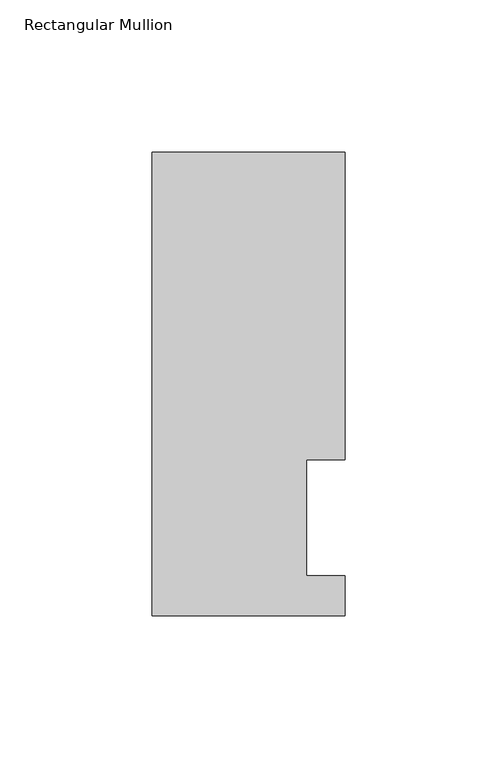
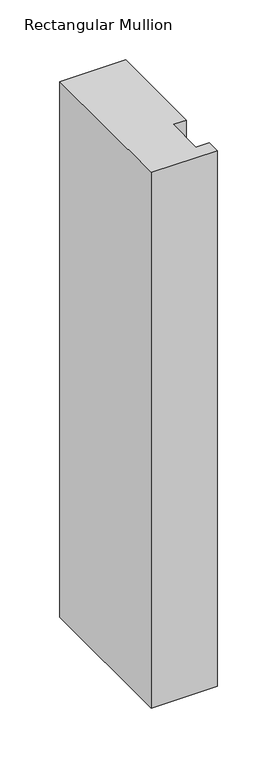
"""IFC4 building model written with IfcOpenShell, lengths in millimetres: member geometry, Rectangular Mullion."""

from ifc_helpers import new_model, si_unit, frame, origin, place, context, project, spatial, polyline, outline, extrude, source, transform, mapped, element, save


def rectangular_mullion_b420b36a(model_context):
    return source(origin(), model_context, "Body", "SweptSolid", [
        extrude(outline(polyline([(0.0, 51.2960938), (-12.6873001, 51.2960938), (-12.6873001, 13.1960938), (-1e-07, 13.1960938), (-1e-07, 0.0134938), (-63.5000002, 0.0134939), (-63.5, 152.4896938), (0.0, 152.4896938), (0.0, 51.2960938)])), frame((0.0, 0.0, -546.0999995), z_axis=(0.0, 0.0, 1.0), x_axis=(1.0, 0.0, 0.0)), (0.0, 0.0, 1.0), 546.0999995),
    ])


if __name__ == "__main__":
    model = new_model("IFC4")
    model_context = context("Model", 3, world=origin())
    ifc_project = project(units=[si_unit("LENGTHUNIT", "METRE", prefix="MILLI")], contexts=[model_context])
    site = spatial("IfcSite", under=ifc_project)
    building = spatial("IfcBuilding", under=site)
    placement = place(None, origin())
    rectangular_mullion_shape = rectangular_mullion_b420b36a(model_context)
    element("IfcMember", 1, ObjectType="Rectangular Mullion", at=placement, inside=building, context=model_context, shape_type="MappedRepresentation", body=[
        mapped(rectangular_mullion_shape, transform((0.0, 0.0, 0.0), x_axis=(1.0, 0.0, 0.0), y_axis=(0.0, 1.0, 0.0), z_axis=(0.0, 0.0, 1.0))),
    ])
    save(model, "model.ifc")
